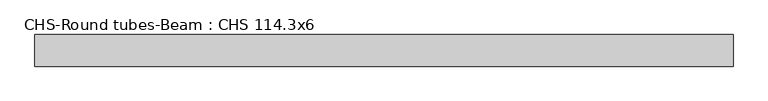
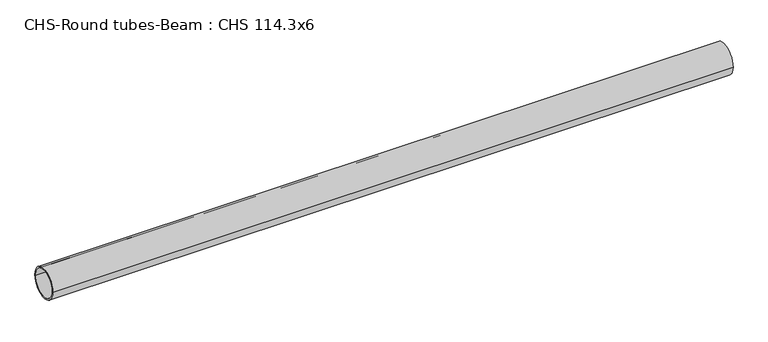
"""IFC4 building model written with IfcOpenShell, lengths in millimetres: beam geometry, CHS-Round tubes-Beam : CHS 114.3x6."""

import ifcopenshell
import ifcopenshell.guid

model = None  # the IFC model being written
_history = None  # IfcOwnerHistory: only IFC2X3 demands one
_inside = {}  # id of a spatial element -> (the spatial element, [elements in it])
_under = {}  # id of a project, library or spatial element -> (it, [spatial elements below it])
_declared = {}  # id of a project -> (the project, [libraries it declares])
_typed = {}  # id of a type object -> (the type object, [elements of that type])
_made_of = {}  # id of a material, layer set ... -> (it, [elements and type objects made of it])


def new_model(schema):
    """Start an empty IFC model of exactly this schema.

    Asked for "IFC4X3", IfcOpenShell would pick the latest addendum, in which some entities
    have other attributes; the version numbers below select the first issue.
    IFC2X3 requires an IfcOwnerHistory on every rooted entity: one is made here for all.
    """
    global model, _history
    if schema == "IFC4X3":
        model = ifcopenshell.file(schema_version=(4, 3, 0, 0))
    else:
        model = ifcopenshell.file(schema=schema)
    _inside.clear()
    _under.clear()
    _declared.clear()
    _typed.clear()
    _made_of.clear()
    _history = None
    if model.schema == "IFC2X3":
        org = make("IfcOrganization", Name="unknown")
        user = make(
            "IfcPersonAndOrganization",
            ThePerson=make("IfcPerson", FamilyName="unknown"),
            TheOrganization=org,
        )
        app = make(
            "IfcApplication",
            ApplicationDeveloper=org,
            Version="unknown",
            ApplicationFullName="unknown",
            ApplicationIdentifier="unknown",
        )
        _history = make(
            "IfcOwnerHistory",
            OwningUser=user,
            OwningApplication=app,
            ChangeAction="ADDED",
            CreationDate=0,
        )
    return model


def make(cls, **values):
    """One entity of the class cls with the attributes given. An attribute that is None is left unset."""
    return model.create_entity(
        cls, **{name: value for name, value in values.items() if value is not None}
    )


def rooted(cls, **values):
    """An entity with a GlobalId (a new one), such as an element, a storey or a relation."""
    return make(cls, GlobalId=ifcopenshell.guid.new(), OwnerHistory=_history, **values)


def si_unit(unit_type, name, prefix=None):
    """IfcSIUnit, for example si_unit("LENGTHUNIT", "METRE", prefix="MILLI")."""
    return make("IfcSIUnit", UnitType=unit_type, Prefix=prefix, Name=name)


def assignment(units):
    """IfcUnitAssignment: the units of a project."""
    return None if units is None else make("IfcUnitAssignment", Units=units)


def point(xyz):
    """IfcCartesianPoint."""
    return None if xyz is None else make("IfcCartesianPoint", Coordinates=xyz)


def direction(xyz):
    """IfcDirection."""
    return None if xyz is None else make("IfcDirection", DirectionRatios=xyz)


def frame(location, z_axis=None, x_axis=None):
    """IfcAxis2Placement3D, a coordinate frame: its origin and axes. An axis left out is left unset."""
    return make(
        "IfcAxis2Placement3D",
        Location=point(location),
        Axis=direction(z_axis),
        RefDirection=direction(x_axis),
    )


def frame_2d(location, x_axis=None):
    """IfcAxis2Placement2D, a coordinate frame in the plane: its origin and x axis."""
    return make(
        "IfcAxis2Placement2D", Location=point(location), RefDirection=direction(x_axis)
    )


def origin():
    """The frame at (0, 0, 0) with its axes left unset."""
    return frame((0.0, 0.0, 0.0))


def origin_2d():
    """The frame at (0, 0) in the plane with its x axis left unset."""
    return frame_2d((0.0, 0.0))


def place(relative_to, where):
    """IfcLocalPlacement: puts the frame where relative to a parent placement (None: the world)."""
    return make(
        "IfcLocalPlacement", PlacementRelTo=relative_to, RelativePlacement=where
    )


def context(
    kind, dimensions, precision=None, world=None, true_north=None, identifier=None
):
    """IfcGeometricRepresentationContext, for example the 3D "Model" context."""
    return make(
        "IfcGeometricRepresentationContext",
        ContextIdentifier=identifier,
        ContextType=kind,
        CoordinateSpaceDimension=dimensions,
        Precision=precision,
        WorldCoordinateSystem=world,
        TrueNorth=true_north,
    )


def project(units=None, contexts=None):
    """IfcProject with its units and contexts."""
    return rooted(
        "IfcProject",
        Name="project",
        RepresentationContexts=contexts,
        UnitsInContext=assignment(units),
    )


def spatial(cls, under=None, at=None, **own):
    """A site, building, storey or space (cls), placed at a placement, below another one or the project."""
    s = rooted(cls, ObjectPlacement=at, **own)
    if under is not None:
        _under.setdefault(under.id(), (under, []))[1].append(s)
    return s


def circle_curve(where, radius):
    """IfcCircle in the frame where."""
    return make("IfcCircle", Position=where, Radius=radius)


def trimmed(basis, trim1, trim2, sense, master):
    """IfcTrimmedCurve: the piece of a basis curve between two trims."""
    return make(
        "IfcTrimmedCurve",
        BasisCurve=basis,
        Trim1=trim1,
        Trim2=trim2,
        SenseAgreement=sense,
        MasterRepresentation=master,
    )


def segment(curve, same_sense, transition):
    """IfcCompositeCurveSegment."""
    return make(
        "IfcCompositeCurveSegment",
        Transition=transition,
        SameSense=same_sense,
        ParentCurve=curve,
    )


def composite_curve(segments, self_intersect=None):
    """IfcCompositeCurve: segments joined end to end."""
    return make("IfcCompositeCurve", Segments=segments, SelfIntersect=self_intersect)


def outline(outer, holes=None, kind="AREA"):
    """IfcArbitraryClosedProfileDef: a profile drawn as a closed curve; with holes, ...WithVoids."""
    if holes is None:
        return make("IfcArbitraryClosedProfileDef", ProfileType=kind, OuterCurve=outer)
    return make(
        "IfcArbitraryProfileDefWithVoids",
        ProfileType=kind,
        OuterCurve=outer,
        InnerCurves=holes,
    )


def extrude(swept, where, along, depth):
    """IfcExtrudedAreaSolid: the profile swept, set in the frame where, extruded along a direction by depth."""
    return make(
        "IfcExtrudedAreaSolid",
        SweptArea=swept,
        Position=where,
        ExtrudedDirection=direction(along),
        Depth=depth,
    )


def shape(context_of_items, identifier, shape_type, items):
    """IfcShapeRepresentation: the items that make up one representation, for example the "Body"."""
    return make(
        "IfcShapeRepresentation",
        ContextOfItems=context_of_items,
        RepresentationIdentifier=identifier,
        RepresentationType=shape_type,
        Items=items,
    )


def source(mapping_origin, context_of_items, identifier, shape_type, items):
    """IfcRepresentationMap: a shape defined once, which mapped items show again and again."""
    return make(
        "IfcRepresentationMap",
        MappingOrigin=mapping_origin,
        MappedRepresentation=shape(context_of_items, identifier, shape_type, items),
    )


def transform(
    local_origin,
    x_axis=None,
    y_axis=None,
    z_axis=None,
    scale=None,
    scale2=None,
    scale3=None,
    uniform=True,
):
    """IfcCartesianTransformationOperator3D, or its non-uniform kind. x_axis, y_axis, z_axis: its Axis1, 2, 3."""
    if uniform:
        return make(
            "IfcCartesianTransformationOperator3D",
            Axis1=direction(x_axis),
            Axis2=direction(y_axis),
            LocalOrigin=point(local_origin),
            Scale=scale,
            Axis3=direction(z_axis),
        )
    return make(
        "IfcCartesianTransformationOperator3DnonUniform",
        Axis1=direction(x_axis),
        Axis2=direction(y_axis),
        LocalOrigin=point(local_origin),
        Scale=scale,
        Axis3=direction(z_axis),
        Scale2=scale2,
        Scale3=scale3,
    )


def mapped(mapping_source, mapping_target):
    """IfcMappedItem: shows the shape of a source again, moved by a transform."""
    return make(
        "IfcMappedItem", MappingSource=mapping_source, MappingTarget=mapping_target
    )


def made_of(thing, what):
    """Note that an element or type object is made of a material, layer set ...; save() writes the relation."""
    if what is not None:
        _made_of.setdefault(what.id(), (what, []))[1].append(thing)
    return thing


def element(
    cls,
    number,
    at=None,
    inside=None,
    cuts=None,
    type_object=None,
    material=None,
    context=None,
    identifier="Body",
    shape_type=None,
    held_by="IfcProductDefinitionShape",
    body=None,
    shapes=None,
    **own,
):
    """One element of the class cls, such as IfcWall. Its Tag is "e" and its number.

    at: its placement. inside: the storey or other place that contains it. cuts: it is an
    opening in that element (IfcRelVoidsElement). A single representation is given by context,
    identifier, shape_type and body (its items); several are given by shapes. held_by: the class
    of the entity that holds the representations. save() writes the other relations.
    """
    e = rooted(cls, Tag="e%d" % number, ObjectPlacement=at, **own)
    if body is not None:
        shapes = [shape(context, identifier, shape_type, body)]
    if shapes is not None:
        e.Representation = make(held_by, Representations=shapes)
    if inside is not None:
        _inside.setdefault(inside.id(), (inside, []))[1].append(e)
    if cuts is not None:
        rooted(
            "IfcRelVoidsElement", RelatingBuildingElement=cuts, RelatedOpeningElement=e
        )
    if type_object is not None:
        _typed.setdefault(type_object.id(), (type_object, []))[1].append(e)
    return made_of(e, material)


def aggregate(whole, parts):
    """IfcRelAggregates: a whole, such as a stair, and the parts it consists of."""
    return rooted("IfcRelAggregates", RelatingObject=whole, RelatedObjects=parts)


def save(model, path):
    """Write the relations noted so far, then the file.

    IfcRelAggregates (storeys below a building ...), IfcRelContainedInSpatialStructure (elements
    in a storey), IfcRelDefinesByType, IfcRelAssociatesMaterial and IfcRelDeclares: one each for
    every whole, place, type object, material and project.
    """
    for whole, parts in _under.values():
        aggregate(whole, parts)
    for where, things in _inside.values():
        rooted(
            "IfcRelContainedInSpatialStructure",
            RelatedElements=things,
            RelatingStructure=where,
        )
    for kind, things in _typed.values():
        rooted("IfcRelDefinesByType", RelatedObjects=things, RelatingType=kind)
    for what, things in _made_of.values():
        rooted("IfcRelAssociatesMaterial", RelatedObjects=things, RelatingMaterial=what)
    for by, libraries in _declared.values():
        rooted("IfcRelDeclares", RelatingContext=by, RelatedDefinitions=libraries)
    model.write(path)


def chs_round_tubes_beam_chs_114_3x6_e2b7f73b(model_context):
    return source(origin(), model_context, "Body", "SweptSolid", [
        extrude(outline(composite_curve([segment(trimmed(circle_curve(origin_2d(), 57.15), [point((57.15, 0.0))], [point((-57.15, 0.0))], False, "CARTESIAN"), True, "CONTINUOUS"), segment(trimmed(circle_curve(origin_2d(), 57.15), [point((-57.15, 0.0))], [point((57.15, 0.0))], False, "CARTESIAN"), True, "CONTINUOUS")], self_intersect=False), holes=[composite_curve([segment(trimmed(circle_curve(origin_2d(), 51.15), [point((51.15, 0.0))], [point((-51.15, 0.0))], True, "CARTESIAN"), True, "CONTINUOUS"), segment(trimmed(circle_curve(origin_2d(), 51.15), [point((-51.15, 0.0))], [point((51.15, 0.0))], True, "CARTESIAN"), True, "CONTINUOUS")], self_intersect=False)]), frame((-1215.5644719, 0.0, 0.0), z_axis=(1.0, 0.0, 0.0), x_axis=(0.0, 1.0, 0.0)), (0.0, 0.0, 1.0), 2520.7734076),
    ])


if __name__ == "__main__":
    model = new_model("IFC4")
    model_context = context("Model", 3, world=origin())
    ifc_project = project(units=[si_unit("LENGTHUNIT", "METRE", prefix="MILLI")], contexts=[model_context])
    site = spatial("IfcSite", under=ifc_project)
    building = spatial("IfcBuilding", under=site)
    placement = place(None, origin())
    chs_round_tubes_beam_chs_114_3x6_shape = chs_round_tubes_beam_chs_114_3x6_e2b7f73b(model_context)
    element("IfcBeam", 1, ObjectType="CHS-Round tubes-Beam : CHS 114.3x6", at=placement, inside=building, context=model_context, shape_type="MappedRepresentation", body=[
        mapped(chs_round_tubes_beam_chs_114_3x6_shape, transform((0.0, 0.0, 0.0), x_axis=(1.0, 0.0, 0.0), y_axis=(0.0, 1.0, 0.0), z_axis=(0.0, 0.0, 1.0))),
    ])
    save(model, "model.ifc")
